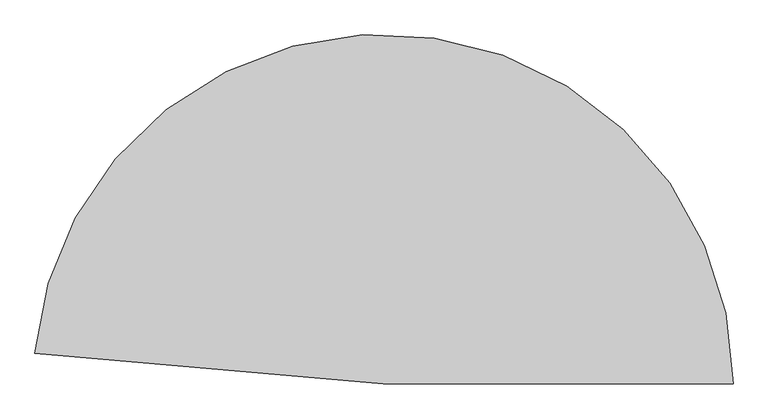
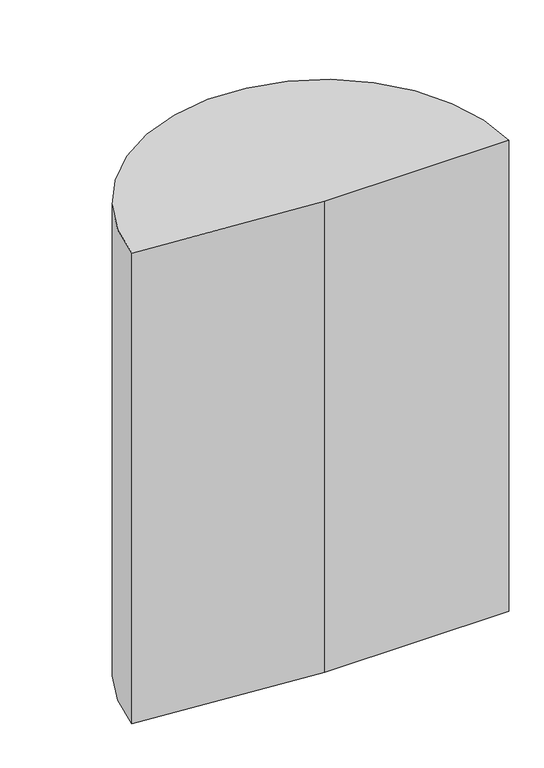
"""IFC4 building model written with IfcOpenShell, lengths in millimetres: proxy geometry."""

from ifc_helpers import new_model, si_unit, point, origin, origin_with_axes, origin_2d, place, context, project, spatial, polyline, circle_curve, trimmed, segment, composite_curve, outline, extrude, source, transform, mapped, element, save


def generic_models_f9927556(model_context):
    return source(origin(), model_context, "Body", "SweptSolid", [
        extrude(outline(composite_curve([segment(polyline([(0.0, 0.0), (-882.6285025, 77.2199881)]), True, "CONTINUOUS"), segment(trimmed(circle_curve(origin_2d(), 886.0), [point((-882.6285025, 77.2199881))], [point((886.0, 0.0))], False, "CARTESIAN"), True, "CONTINUOUS"), segment(polyline([(886.0, 0.0), (0.0, 0.0)]), True, "CONTINUOUS")], self_intersect=False)), origin_with_axes(), (0.0, 0.0, 1.0), 2393.4),
    ])


if __name__ == "__main__":
    model = new_model("IFC4")
    model_context = context("Model", 3, world=origin())
    ifc_project = project(units=[si_unit("LENGTHUNIT", "METRE", prefix="MILLI")], contexts=[model_context])
    site = spatial("IfcSite", under=ifc_project)
    building = spatial("IfcBuilding", under=site)
    placement = place(None, origin())
    generic_models_shape = generic_models_f9927556(model_context)
    element("IfcBuildingElementProxy", 1, Name="Generic Models", at=placement, inside=building, context=model_context, shape_type="MappedRepresentation", body=[
        mapped(generic_models_shape, transform((0.0, 0.0, 0.0), x_axis=(1.0, 0.0, 0.0), y_axis=(0.0, 1.0, 0.0), z_axis=(0.0, 0.0, 1.0))),
    ])
    save(model, "model.ifc")
